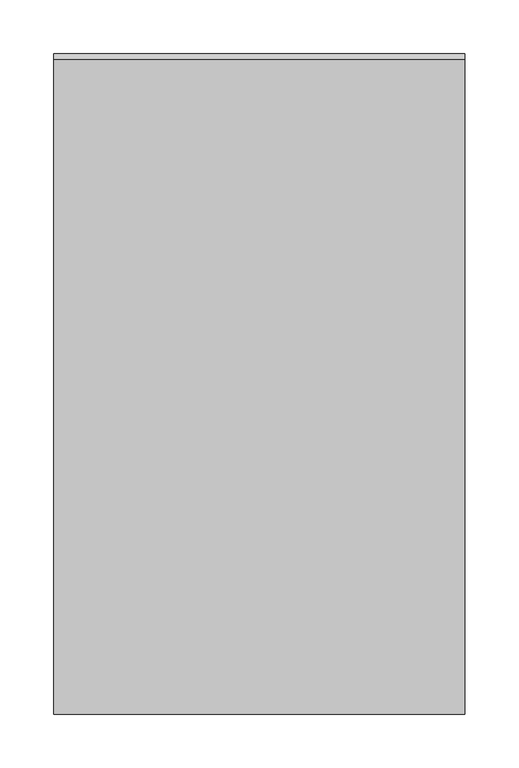
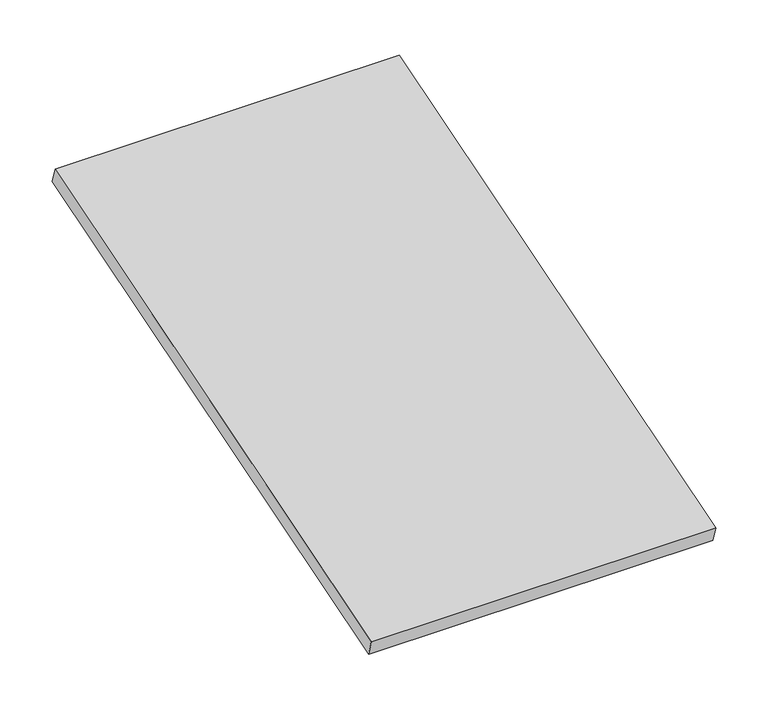
"""IFC4 building model written with IfcOpenShell, lengths in millimetres: furniture geometry."""

from ifc_helpers import new_model, si_unit, frame, origin, place, context, project, spatial, polyline, outline, extrude, source, transform, mapped, element, save


def furniture_34b9b1f7(model_context):
    return source(origin(), model_context, "Body", "SweptSolid", [
        extrude(outline(polyline([(0.0, -634.2691566), (0.0, 0.0), (381.0, 0.0), (381.0, -634.2691566), (0.0, -634.2691566)])), frame((381.0, -606.425, 1849.5129732), z_axis=(0.0, -0.29303926008505393, 0.9561004089784735), x_axis=(-1.0, 0.0, 0.0)), (0.0, 0.0, 1.0), 18.9992),
    ])


if __name__ == "__main__":
    model = new_model("IFC4")
    model_context = context("Model", 3, world=origin())
    ifc_project = project(units=[si_unit("LENGTHUNIT", "METRE", prefix="MILLI")], contexts=[model_context])
    site = spatial("IfcSite", under=ifc_project)
    building = spatial("IfcBuilding", under=site)
    placement = place(None, origin())
    furniture_shape = furniture_34b9b1f7(model_context)
    element("IfcFurniture", 1, at=placement, inside=building, context=model_context, shape_type="MappedRepresentation", body=[
        mapped(furniture_shape, transform((0.0, 0.0, 0.0), x_axis=(1.0, 0.0, 0.0), y_axis=(0.0, 1.0, 0.0), z_axis=(0.0, 0.0, 1.0))),
    ])
    save(model, "model.ifc")
